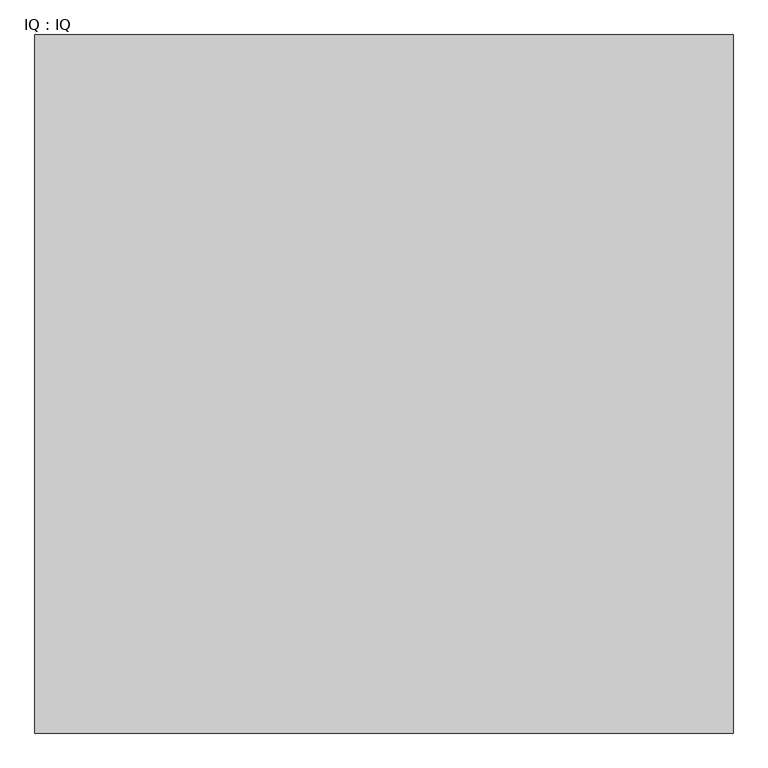
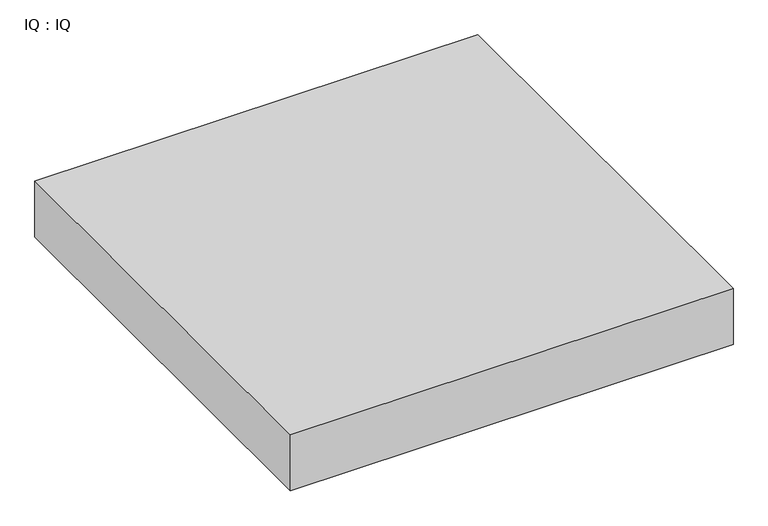
"""IFC4 building model written with IfcOpenShell, lengths in millimetres: proxy geometry, IQ : IQ."""

import ifcopenshell
import ifcopenshell.guid

model = None  # the IFC model being written
_history = None  # IfcOwnerHistory: only IFC2X3 demands one
_inside = {}  # id of a spatial element -> (the spatial element, [elements in it])
_under = {}  # id of a project, library or spatial element -> (it, [spatial elements below it])
_declared = {}  # id of a project -> (the project, [libraries it declares])
_typed = {}  # id of a type object -> (the type object, [elements of that type])
_made_of = {}  # id of a material, layer set ... -> (it, [elements and type objects made of it])


def new_model(schema):
    """Start an empty IFC model of exactly this schema.

    Asked for "IFC4X3", IfcOpenShell would pick the latest addendum, in which some entities
    have other attributes; the version numbers below select the first issue.
    IFC2X3 requires an IfcOwnerHistory on every rooted entity: one is made here for all.
    """
    global model, _history
    if schema == "IFC4X3":
        model = ifcopenshell.file(schema_version=(4, 3, 0, 0))
    else:
        model = ifcopenshell.file(schema=schema)
    _inside.clear()
    _under.clear()
    _declared.clear()
    _typed.clear()
    _made_of.clear()
    _history = None
    if model.schema == "IFC2X3":
        org = make("IfcOrganization", Name="unknown")
        user = make(
            "IfcPersonAndOrganization",
            ThePerson=make("IfcPerson", FamilyName="unknown"),
            TheOrganization=org,
        )
        app = make(
            "IfcApplication",
            ApplicationDeveloper=org,
            Version="unknown",
            ApplicationFullName="unknown",
            ApplicationIdentifier="unknown",
        )
        _history = make(
            "IfcOwnerHistory",
            OwningUser=user,
            OwningApplication=app,
            ChangeAction="ADDED",
            CreationDate=0,
        )
    return model


def make(cls, **values):
    """One entity of the class cls with the attributes given. An attribute that is None is left unset."""
    return model.create_entity(
        cls, **{name: value for name, value in values.items() if value is not None}
    )


def rooted(cls, **values):
    """An entity with a GlobalId (a new one), such as an element, a storey or a relation."""
    return make(cls, GlobalId=ifcopenshell.guid.new(), OwnerHistory=_history, **values)


def si_unit(unit_type, name, prefix=None):
    """IfcSIUnit, for example si_unit("LENGTHUNIT", "METRE", prefix="MILLI")."""
    return make("IfcSIUnit", UnitType=unit_type, Prefix=prefix, Name=name)


def assignment(units):
    """IfcUnitAssignment: the units of a project."""
    return None if units is None else make("IfcUnitAssignment", Units=units)


def point(xyz):
    """IfcCartesianPoint."""
    return None if xyz is None else make("IfcCartesianPoint", Coordinates=xyz)


def direction(xyz):
    """IfcDirection."""
    return None if xyz is None else make("IfcDirection", DirectionRatios=xyz)


def frame(location, z_axis=None, x_axis=None):
    """IfcAxis2Placement3D, a coordinate frame: its origin and axes. An axis left out is left unset."""
    return make(
        "IfcAxis2Placement3D",
        Location=point(location),
        Axis=direction(z_axis),
        RefDirection=direction(x_axis),
    )


def origin():
    """The frame at (0, 0, 0) with its axes left unset."""
    return frame((0.0, 0.0, 0.0))


def place(relative_to, where):
    """IfcLocalPlacement: puts the frame where relative to a parent placement (None: the world)."""
    return make(
        "IfcLocalPlacement", PlacementRelTo=relative_to, RelativePlacement=where
    )


def context(
    kind, dimensions, precision=None, world=None, true_north=None, identifier=None
):
    """IfcGeometricRepresentationContext, for example the 3D "Model" context."""
    return make(
        "IfcGeometricRepresentationContext",
        ContextIdentifier=identifier,
        ContextType=kind,
        CoordinateSpaceDimension=dimensions,
        Precision=precision,
        WorldCoordinateSystem=world,
        TrueNorth=true_north,
    )


def project(units=None, contexts=None):
    """IfcProject with its units and contexts."""
    return rooted(
        "IfcProject",
        Name="project",
        RepresentationContexts=contexts,
        UnitsInContext=assignment(units),
    )


def spatial(cls, under=None, at=None, **own):
    """A site, building, storey or space (cls), placed at a placement, below another one or the project."""
    s = rooted(cls, ObjectPlacement=at, **own)
    if under is not None:
        _under.setdefault(under.id(), (under, []))[1].append(s)
    return s


def polyline(points):
    """IfcPolyline through the points."""
    return make("IfcPolyline", Points=[point(p) for p in points])


def outline(outer, holes=None, kind="AREA"):
    """IfcArbitraryClosedProfileDef: a profile drawn as a closed curve; with holes, ...WithVoids."""
    if holes is None:
        return make("IfcArbitraryClosedProfileDef", ProfileType=kind, OuterCurve=outer)
    return make(
        "IfcArbitraryProfileDefWithVoids",
        ProfileType=kind,
        OuterCurve=outer,
        InnerCurves=holes,
    )


def extrude(swept, where, along, depth):
    """IfcExtrudedAreaSolid: the profile swept, set in the frame where, extruded along a direction by depth."""
    return make(
        "IfcExtrudedAreaSolid",
        SweptArea=swept,
        Position=where,
        ExtrudedDirection=direction(along),
        Depth=depth,
    )


def shape(context_of_items, identifier, shape_type, items):
    """IfcShapeRepresentation: the items that make up one representation, for example the "Body"."""
    return make(
        "IfcShapeRepresentation",
        ContextOfItems=context_of_items,
        RepresentationIdentifier=identifier,
        RepresentationType=shape_type,
        Items=items,
    )


def source(mapping_origin, context_of_items, identifier, shape_type, items):
    """IfcRepresentationMap: a shape defined once, which mapped items show again and again."""
    return make(
        "IfcRepresentationMap",
        MappingOrigin=mapping_origin,
        MappedRepresentation=shape(context_of_items, identifier, shape_type, items),
    )


def transform(
    local_origin,
    x_axis=None,
    y_axis=None,
    z_axis=None,
    scale=None,
    scale2=None,
    scale3=None,
    uniform=True,
):
    """IfcCartesianTransformationOperator3D, or its non-uniform kind. x_axis, y_axis, z_axis: its Axis1, 2, 3."""
    if uniform:
        return make(
            "IfcCartesianTransformationOperator3D",
            Axis1=direction(x_axis),
            Axis2=direction(y_axis),
            LocalOrigin=point(local_origin),
            Scale=scale,
            Axis3=direction(z_axis),
        )
    return make(
        "IfcCartesianTransformationOperator3DnonUniform",
        Axis1=direction(x_axis),
        Axis2=direction(y_axis),
        LocalOrigin=point(local_origin),
        Scale=scale,
        Axis3=direction(z_axis),
        Scale2=scale2,
        Scale3=scale3,
    )


def mapped(mapping_source, mapping_target):
    """IfcMappedItem: shows the shape of a source again, moved by a transform."""
    return make(
        "IfcMappedItem", MappingSource=mapping_source, MappingTarget=mapping_target
    )


def made_of(thing, what):
    """Note that an element or type object is made of a material, layer set ...; save() writes the relation."""
    if what is not None:
        _made_of.setdefault(what.id(), (what, []))[1].append(thing)
    return thing


def element(
    cls,
    number,
    at=None,
    inside=None,
    cuts=None,
    type_object=None,
    material=None,
    context=None,
    identifier="Body",
    shape_type=None,
    held_by="IfcProductDefinitionShape",
    body=None,
    shapes=None,
    **own,
):
    """One element of the class cls, such as IfcWall. Its Tag is "e" and its number.

    at: its placement. inside: the storey or other place that contains it. cuts: it is an
    opening in that element (IfcRelVoidsElement). A single representation is given by context,
    identifier, shape_type and body (its items); several are given by shapes. held_by: the class
    of the entity that holds the representations. save() writes the other relations.
    """
    e = rooted(cls, Tag="e%d" % number, ObjectPlacement=at, **own)
    if body is not None:
        shapes = [shape(context, identifier, shape_type, body)]
    if shapes is not None:
        e.Representation = make(held_by, Representations=shapes)
    if inside is not None:
        _inside.setdefault(inside.id(), (inside, []))[1].append(e)
    if cuts is not None:
        rooted(
            "IfcRelVoidsElement", RelatingBuildingElement=cuts, RelatedOpeningElement=e
        )
    if type_object is not None:
        _typed.setdefault(type_object.id(), (type_object, []))[1].append(e)
    return made_of(e, material)


def aggregate(whole, parts):
    """IfcRelAggregates: a whole, such as a stair, and the parts it consists of."""
    return rooted("IfcRelAggregates", RelatingObject=whole, RelatedObjects=parts)


def save(model, path):
    """Write the relations noted so far, then the file.

    IfcRelAggregates (storeys below a building ...), IfcRelContainedInSpatialStructure (elements
    in a storey), IfcRelDefinesByType, IfcRelAssociatesMaterial and IfcRelDeclares: one each for
    every whole, place, type object, material and project.
    """
    for whole, parts in _under.values():
        aggregate(whole, parts)
    for where, things in _inside.values():
        rooted(
            "IfcRelContainedInSpatialStructure",
            RelatedElements=things,
            RelatingStructure=where,
        )
    for kind, things in _typed.values():
        rooted("IfcRelDefinesByType", RelatedObjects=things, RelatingType=kind)
    for what, things in _made_of.values():
        rooted("IfcRelAssociatesMaterial", RelatedObjects=things, RelatingMaterial=what)
    for by, libraries in _declared.values():
        rooted("IfcRelDeclares", RelatingContext=by, RelatedDefinitions=libraries)
    model.write(path)


def iq_iq_7a63638d(model_context):
    return source(origin(), model_context, "Body", "SweptSolid", [
        extrude(outline(polyline([(1500.0, 1500.0), (1500.0, 0.0), (0.0, 0.0), (0.0, 1500.0), (1500.0, 1500.0)])), frame((0.0, 0.0, 500.0), z_axis=(0.0, 0.0, 1.0), x_axis=(1.0, 0.0, 0.0)), (0.0, 0.0, 1.0), 200.0),
    ])


if __name__ == "__main__":
    model = new_model("IFC4")
    model_context = context("Model", 3, world=origin())
    ifc_project = project(units=[si_unit("LENGTHUNIT", "METRE", prefix="MILLI")], contexts=[model_context])
    site = spatial("IfcSite", under=ifc_project)
    building = spatial("IfcBuilding", under=site)
    placement = place(None, origin())
    iq_iq_shape = iq_iq_7a63638d(model_context)
    element("IfcBuildingElementProxy", 1, Name="IQ : IQ", ObjectType="IQ : IQ", at=placement, inside=building, context=model_context, shape_type="MappedRepresentation", body=[
        mapped(iq_iq_shape, transform((0.0, 0.0, 0.0), x_axis=(1.0, 0.0, 0.0), y_axis=(0.0, 1.0, 0.0), z_axis=(0.0, 0.0, 1.0))),
    ])
    save(model, "model.ifc")
